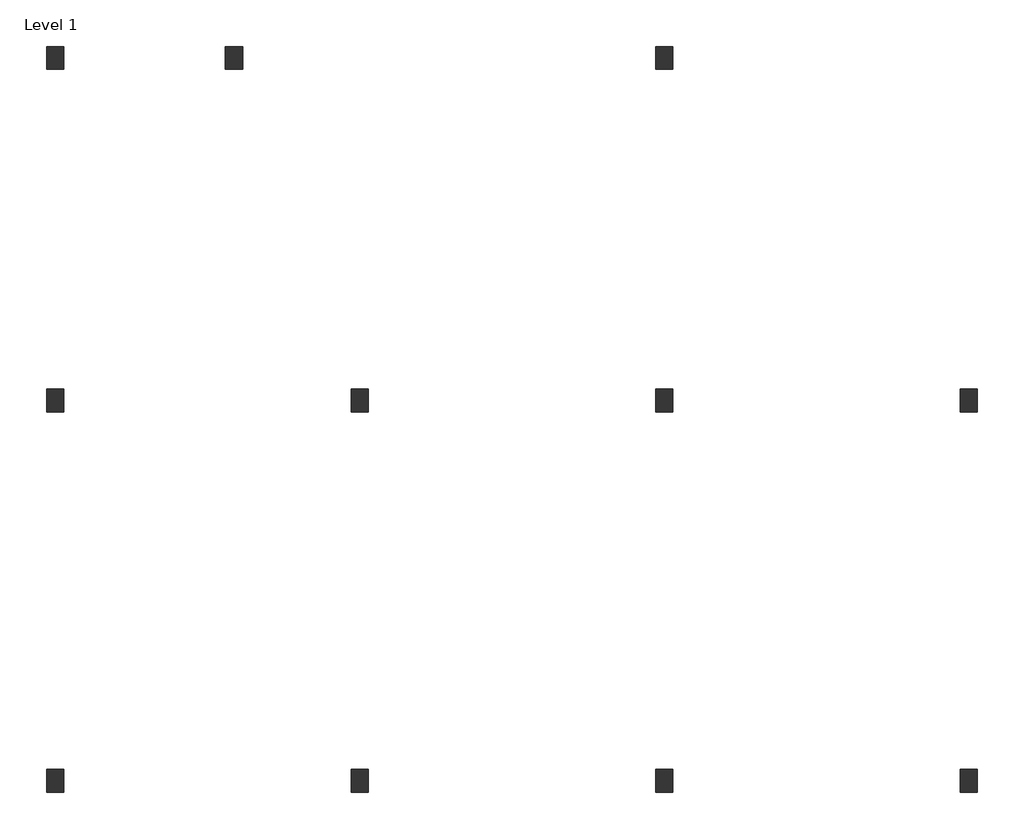
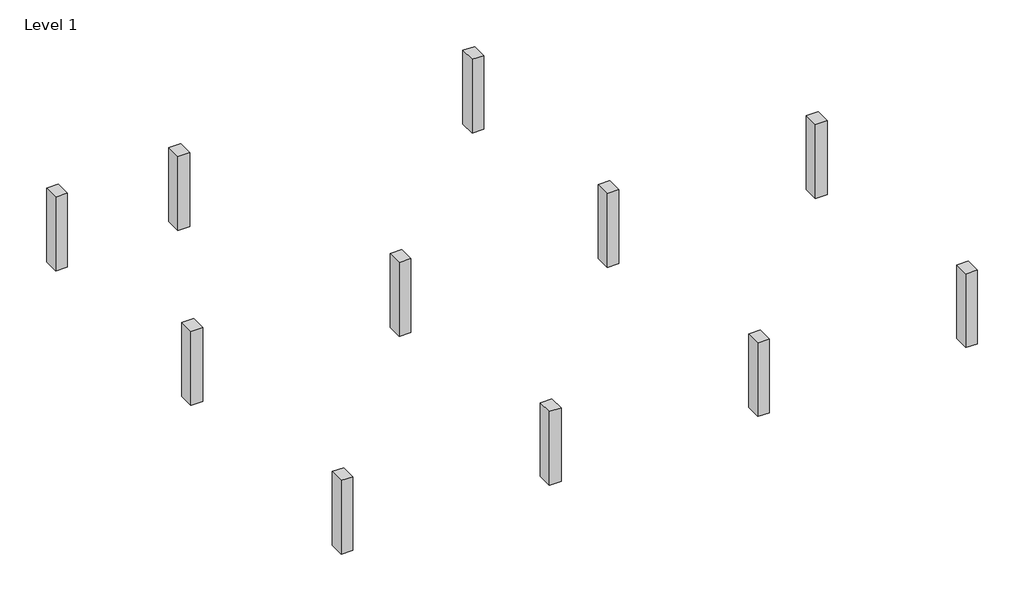
# One storey: 11 columns.
"""IFC4 building model written with IfcOpenShell, lengths in millimetres."""

from ifc_helpers import new_model, si_unit, origin, origin_with_axes, place, context, project, spatial, polyline, outline, extrude, element, save

model = new_model("IFC4")

# Units and contexts
model_context = context("Model", 3, world=origin())
ifc_project = project(units=[si_unit("LENGTHUNIT", "METRE", prefix="MILLI")], contexts=[model_context])

# Site, building, storey
site = spatial("IfcSite", under=ifc_project)
building = spatial("IfcBuilding", under=site)
storey = spatial("IfcBuildingStorey", under=building, Name="Level 1", Elevation=0.0)

# Columns
placement = place(None, origin())
element("IfcColumn", 1, ObjectType="M_Concrete-Rectangular-Column : 450 x 600mm", at=placement, inside=storey, context=model_context, shape_type="SweptSolid", body=[
    extrude(outline(polyline([(-11276.6415443, 656.7220145), (-11276.6415443, 56.7220145), (-11726.6415443, 56.7220145), (-11726.6415443, 656.7220145), (-11276.6415443, 656.7220145)])), origin_with_axes(), (0.0, 0.0, 1.0), 3000.0),
])
element("IfcColumn", 2, ObjectType="M_Concrete-Rectangular-Column : 450 x 600mm", at=placement, inside=storey, context=model_context, shape_type="SweptSolid", body=[
    extrude(outline(polyline([(-11276.6415443, -9343.2779855), (-11276.6415443, -9943.2779855), (-11726.6415443, -9943.2779855), (-11726.6415443, -9343.2779855), (-11276.6415443, -9343.2779855)])), origin_with_axes(), (0.0, 0.0, 1.0), 3000.0),
])
element("IfcColumn", 3, ObjectType="M_Concrete-Rectangular-Column : 450 x 600mm", at=placement, inside=storey, context=model_context, shape_type="SweptSolid", body=[
    extrude(outline(polyline([(-3276.6415443, -9343.2779855), (-3276.6415443, -9943.2779855), (-3726.6415443, -9943.2779855), (-3726.6415443, -9343.2779855), (-3276.6415443, -9343.2779855)])), origin_with_axes(), (0.0, 0.0, 1.0), 3000.0),
])
element("IfcColumn", 4, ObjectType="M_Concrete-Rectangular-Column : 450 x 600mm", at=placement, inside=storey, context=model_context, shape_type="SweptSolid", body=[
    extrude(outline(polyline([(-3276.6415443, 656.7220145), (-3276.6415443, 56.7220145), (-3726.6415443, 56.7220145), (-3726.6415443, 656.7220145), (-3276.6415443, 656.7220145)])), origin_with_axes(), (0.0, 0.0, 1.0), 3000.0),
])
element("IfcColumn", 5, ObjectType="M_Concrete-Rectangular-Column : 450 x 600mm", at=placement, inside=storey, context=model_context, shape_type="SweptSolid", body=[
    extrude(outline(polyline([(4723.3584557, -9343.2779855), (4723.3584557, -9943.2779855), (4273.3584557, -9943.2779855), (4273.3584557, -9343.2779855), (4723.3584557, -9343.2779855)])), origin_with_axes(), (0.0, 0.0, 1.0), 3000.0),
])
element("IfcColumn", 6, ObjectType="M_Concrete-Rectangular-Column : 450 x 600mm", at=placement, inside=storey, context=model_context, shape_type="SweptSolid", body=[
    extrude(outline(polyline([(4723.3584557, 656.7220145), (4723.3584557, 56.7220145), (4273.3584557, 56.7220145), (4273.3584557, 656.7220145), (4723.3584557, 656.7220145)])), origin_with_axes(), (0.0, 0.0, 1.0), 3000.0),
])
element("IfcColumn", 7, ObjectType="M_Concrete-Rectangular-Column : 450 x 600mm", at=placement, inside=storey, context=model_context, shape_type="SweptSolid", body=[
    extrude(outline(polyline([(12723.3584557, -9343.2779855), (12723.3584557, -9943.2779855), (12273.3584557, -9943.2779855), (12273.3584557, -9343.2779855), (12723.3584557, -9343.2779855)])), origin_with_axes(), (0.0, 0.0, 1.0), 3000.0),
])
element("IfcColumn", 8, ObjectType="M_Concrete-Rectangular-Column : 450 x 600mm", at=placement, inside=storey, context=model_context, shape_type="SweptSolid", body=[
    extrude(outline(polyline([(12723.3584557, 656.7220145), (12723.3584557, 56.7220145), (12273.3584557, 56.7220145), (12273.3584557, 656.7220145), (12723.3584557, 656.7220145)])), origin_with_axes(), (0.0, 0.0, 1.0), 3000.0),
])
element("IfcColumn", 9, ObjectType="M_Concrete-Rectangular-Column : 450 x 600mm", at=placement, inside=storey, context=model_context, shape_type="SweptSolid", body=[
    extrude(outline(polyline([(-11276.6415443, 9656.7220145), (-11276.6415443, 9056.7220145), (-11726.6415443, 9056.7220145), (-11726.6415443, 9656.7220145), (-11276.6415443, 9656.7220145)])), origin_with_axes(), (0.0, 0.0, 1.0), 3000.0),
])
element("IfcColumn", 10, ObjectType="M_Concrete-Rectangular-Column : 450 x 600mm", at=placement, inside=storey, context=model_context, shape_type="SweptSolid", body=[
    extrude(outline(polyline([(-6576.6415443, 9656.7220145), (-6576.6415443, 9056.7220145), (-7026.6415443, 9056.7220145), (-7026.6415443, 9656.7220145), (-6576.6415443, 9656.7220145)])), origin_with_axes(), (0.0, 0.0, 1.0), 3000.0),
])
element("IfcColumn", 11, ObjectType="M_Concrete-Rectangular-Column : 450 x 600mm", at=placement, inside=storey, context=model_context, shape_type="SweptSolid", body=[
    extrude(outline(polyline([(4723.3584557, 9656.7220145), (4723.3584557, 9056.7220145), (4273.3584557, 9056.7220145), (4273.3584557, 9656.7220145), (4723.3584557, 9656.7220145)])), origin_with_axes(), (0.0, 0.0, 1.0), 3000.0),
])

save(model, "model.ifc")
